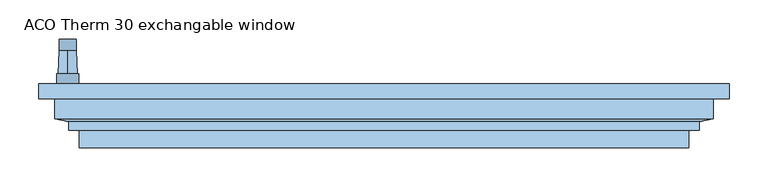
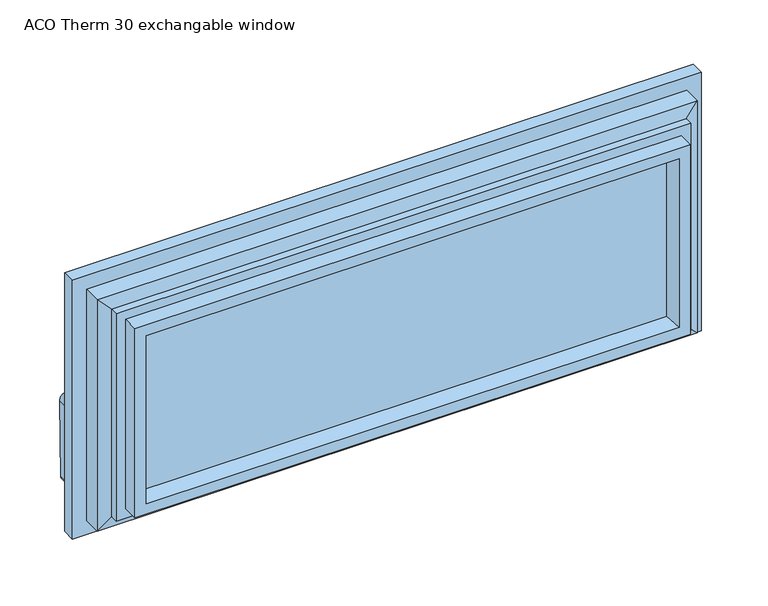
"""IFC4 building model written with IfcOpenShell, lengths in millimetres: window geometry, ACO Therm 30 exchangable window."""

from ifc_helpers import new_model, si_unit, point, frame, frame_2d, origin, place, context, project, spatial, polyline, circle_curve, trimmed, segment, composite_curve, outline, extrude, faceted_brep, source, transform, mapped, element, save
from ifc_brep_helpers import plane_surface, cylinder_surface, revolved_surface, advanced_brep


def aco_therm_30_exchangable_window_74f15d6c(model_context):
    return source(origin(), model_context, "Body", "SolidModel", [
        advanced_brep(
        [(-391.2, 10.8, 220.2), (-391.2, 10.8, 184.8), (-419.8, 10.8, 184.8), (-419.8, 10.8, 220.2), (-405.5, 10.8, 190.5), (-405.5, 10.8, 214.5), (-391.2, -2.0, 220.2), (-419.8, -2.0, 220.2), (-419.8, -2.0, 184.8), (-391.2, -2.0, 184.8), (-405.5, 40.5837804, 213.45), (-405.5, 40.5837804, 191.55)],
        [
            (0, 1),
            (1, 2, circle_curve(frame((-405.5, 10.8, 184.8), z_axis=(0.0, 1.0, 0.0), x_axis=(-1.0, 0.0, 0.0)), 14.3)),
            (2, 3),
            (3, 0, circle_curve(frame((-405.5, 10.8, 220.2), z_axis=(0.0, 1.0, 0.0), x_axis=(-1.0, 0.0, 0.0)), 14.3)),
            (4, 5, circle_curve(frame((-405.5, 10.8, 202.5), z_axis=(0.0, -1.0, 0.0), x_axis=(0.0, 0.0, 1.0)), 12.0)),
            (5, 4, circle_curve(frame((-405.5, 10.8, 202.5), z_axis=(0.0, -1.0, 0.0), x_axis=(0.0, 0.0, -1.0)), 12.0)),
            (6, 7, circle_curve(frame((-405.5, -2.0, 220.2), z_axis=(0.0, -1.0, 0.0), x_axis=(-1.0, 0.0, 0.0)), 14.3)),
            (7, 8),
            (8, 9, circle_curve(frame((-405.5, -2.0, 184.8), z_axis=(0.0, -1.0, 0.0), x_axis=(-1.0, 0.0, 0.0)), 14.3)),
            (9, 6),
            (0, 6),
            (9, 1),
            (8, 2),
            (7, 3),
            (10, 11, circle_curve(frame((-405.5, 40.5837804, 202.5), z_axis=(0.0, 1.0, 0.0), x_axis=(0.0, 0.0, 1.0)), 10.95)),
            (11, 10, circle_curve(frame((-405.5, 40.5837804, 202.5), z_axis=(0.0, 1.0, 0.0), x_axis=(0.0, 0.0, -1.0)), 10.95)),
            (10, 5),
            (4, 11),
        ],
        [
            plane_surface(frame((-391.2, 10.8, 220.2), z_axis=(0.0, 1.0, 0.0), x_axis=(0.0, 0.0, -1.0))),
            plane_surface(frame((-391.2, -2.0, 220.2), z_axis=(0.0, -1.0, 0.0), x_axis=(0.0, 0.0, 1.0))),
            plane_surface(frame((-391.2, 10.8, 220.2), z_axis=(1.0, 0.0, 0.0), x_axis=(0.0, -1.0, 0.0))),
            cylinder_surface(frame((-405.5, -2.0, 184.8), z_axis=(0.0, 1.0, 0.0), x_axis=(-1.0, 0.0, 0.0)), 14.3),
            plane_surface(frame((-419.8, 10.8, 184.8), z_axis=(-1.0, 0.0, 0.0), x_axis=(0.0, -1.0, 0.0))),
            cylinder_surface(frame((-405.5, -2.0, 220.2), z_axis=(0.0, 1.0, 0.0), x_axis=(-1.0, 0.0, 0.0)), 14.3),
            plane_surface(frame((-405.5, 40.5837804, 202.5), z_axis=(0.0, 1.0, 0.0), x_axis=(1.0, 0.0, 0.0))),
            revolved_surface(polyline([(-405.5, 40.58378040000002, 213.4500000002644), (-405.5, 10.800000000000011, 214.5)]), (-405.5, 351.1860618, 202.5), (0.0, -1.0, 0.0)),
            revolved_surface(polyline([(-405.5, 40.58378040000002, 191.5499999997356), (-405.5, 10.800000000000011, 190.5)]), (-405.5, 351.1860618, 202.5), (0.0, -1.0, 0.0)),
        ],
        [
            (0, [[1, 2, 3, 4], [5, 6]]),
            (1, [[7, 8, 9, 10]]),
            (2, [[-1, 11, -10, 12]]),
            (3, [[-2, -12, -9, 13]]),
            (4, [[-3, -13, -8, 14]]),
            (5, [[-4, -14, -7, -11]]),
            (6, [[15, 16]]),
            (7, [[-15, 17, -5, 18]]),
            (8, [[-16, -18, -6, -17]]),
        ],
    ),
        extrude(outline(composite_curve([segment(trimmed(circle_curve(frame_2d((89.5593058, -409.4580365)), 5.1186159), [point((89.5592661, -414.5766524))], [point((84.4406899, -409.4580365))], False, "CARTESIAN"), True, "CONTINUOUS"), segment(polyline([(84.4406899, -409.4580365), (84.4406899, -401.5419635)]), True, "CONTINUOUS"), segment(trimmed(circle_curve(frame_2d((89.5593058, -401.5419635)), 5.1186159), [point((84.4406899, -401.5419635))], [point((89.3895475, -396.4261634))], False, "CARTESIAN"), True, "CONTINUOUS"), segment(polyline([(89.3895475, -396.4261634), (202.5, -394.55)]), True, "CONTINUOUS"), segment(trimmed(circle_curve(frame_2d((202.5, -405.5)), 10.95), [point((202.5, -394.55))], [point((202.5, -416.45))], False, "CARTESIAN"), True, "CONTINUOUS"), segment(polyline([(202.5, -416.45), (89.5592661, -414.5766524)]), True, "CONTINUOUS")], self_intersect=False)), frame((0.0, 40.5837804, 0.0), z_axis=(0.0, 1.0, 0.0), x_axis=(0.0, 0.0, 1.0)), (0.0, 0.0, 1.0), 15.0),
        extrude(outline(polyline([(386.5, -23.0), (386.5, -27.0), (-386.5, -27.0), (-386.5, -23.0), (386.5, -23.0)])), frame((0.0, 0.0, 108.5), z_axis=(0.0, 0.0, 1.0), x_axis=(1.0, 0.0, 0.0)), (0.0, 0.0, 1.0), 273.0),
        extrude(outline(polyline([(386.5, -59.0), (386.5, -63.0), (-386.5, -63.0), (-386.5, -59.0), (386.5, -59.0)])), frame((0.0, 0.0, 108.5), z_axis=(0.0, 0.0, 1.0), x_axis=(1.0, 0.0, 0.0)), (0.0, 0.0, 1.0), 273.0),
        extrude(outline(polyline([(386.5, -41.0), (386.5, -45.0), (-386.5, -45.0), (-386.5, -41.0), (386.5, -41.0)])), frame((0.0, 0.0, 108.5), z_axis=(0.0, 0.0, 1.0), x_axis=(1.0, 0.0, 0.0)), (0.0, 0.0, 1.0), 273.0),
        faceted_brep([(422.5, -21.0, 417.5), (422.5, -46.45, 417.5), (422.5, -46.45, 72.5), (422.5, -21.0, 72.5), (442.5, -2.0, 437.5), (442.5, -21.0, 437.5), (442.5, -21.0, 52.5), (442.5, -2.0, 52.5), (370.3364776, -23.0, 365.3364776), (359.6599742, -2.0, 354.6599742), (359.6599742, -2.0, 135.3400258), (370.3364776, -23.0, 124.6635224), (386.5, -63.0, 381.5), (386.5, -23.0, 381.5), (386.5, -23.0, 108.5), (386.5, -63.0, 108.5), (375.1595631, -84.0, 370.1595631), (369.53263, -63.0, 364.53263), (369.53263, -63.0, 125.46737), (375.1595631, -84.0, 119.8404369), (390.9018435, -84.0, 385.9018435), (390.9018435, -84.0, 104.0981565), (390.9018435, -61.5, 104.0981565), (390.9018435, -61.5, 385.9018435), (404.3518435, -50.6, 399.3518435), (404.3518435, -61.5, 399.3518435), (404.3518435, -61.5, 90.6481565), (404.3518435, -50.6, 90.6481565), (-422.5, -46.45, 72.5), (-422.5, -21.0, 72.5), (-442.5, -21.0, 52.5), (-442.5, -2.0, 52.5), (-359.6599742, -2.0, 135.3400258), (-370.3364776, -23.0, 124.6635224), (-386.5, -23.0, 108.5), (-386.5, -63.0, 108.5), (-369.53263, -63.0, 125.46737), (-375.1595631, -84.0, 119.8404369), (-390.9018435, -84.0, 104.0981565), (-390.9018435, -61.5, 104.0981565), (-404.3518435, -61.5, 90.6481565), (-404.3518435, -50.6, 90.6481565), (-422.5, -46.45, 417.5), (-422.5, -21.0, 417.5), (-442.5, -21.0, 437.5), (-442.5, -2.0, 437.5), (-359.6599742, -2.0, 354.6599742), (-370.3364776, -23.0, 365.3364776), (-386.5, -23.0, 381.5), (-386.5, -63.0, 381.5), (-369.53263, -63.0, 364.53263), (-375.1595631, -84.0, 370.1595631), (-390.9018435, -84.0, 385.9018435), (-390.9018435, -61.5, 385.9018435), (-404.3518435, -61.5, 399.3518435), (-404.3518435, -50.6, 399.3518435)], [[[0, 1, 2, 3]], [[4, 5, 6, 7]], [[8, 9, 10, 11]], [[12, 13, 14, 15]], [[16, 17, 18, 19]], [[20, 21, 22, 23]], [[24, 25, 26, 27]], [[1, 24, 27, 2]], [[3, 2, 28, 29]], [[7, 6, 30, 31]], [[11, 10, 32, 33]], [[15, 14, 34, 35]], [[19, 18, 36, 37]], [[22, 21, 38, 39]], [[27, 26, 40, 41]], [[2, 27, 41, 28]], [[29, 28, 42, 43]], [[31, 30, 44, 45]], [[33, 32, 46, 47]], [[35, 34, 48, 49]], [[37, 36, 50, 51]], [[39, 38, 52, 53]], [[41, 40, 54, 55]], [[28, 41, 55, 42]], [[43, 42, 1, 0]], [[5, 44, 30, 6], [3, 29, 43, 0]], [[45, 44, 5, 4]], [[7, 31, 45, 4], [9, 46, 32, 10]], [[47, 46, 9, 8]], [[13, 48, 34, 14], [11, 33, 47, 8]], [[49, 48, 13, 12]], [[15, 35, 49, 12], [17, 50, 36, 18]], [[51, 50, 17, 16]], [[20, 52, 38, 21], [19, 37, 51, 16]], [[53, 52, 20, 23]], [[25, 54, 40, 26], [22, 39, 53, 23]], [[55, 54, 25, 24]], [[42, 55, 24, 1]]]),
    ])


if __name__ == "__main__":
    model = new_model("IFC4")
    model_context = context("Model", 3, world=origin())
    ifc_project = project(units=[si_unit("LENGTHUNIT", "METRE", prefix="MILLI")], contexts=[model_context])
    site = spatial("IfcSite", under=ifc_project)
    building = spatial("IfcBuilding", under=site)
    placement = place(None, origin())
    aco_therm_30_exchangable_window_shape = aco_therm_30_exchangable_window_74f15d6c(model_context)
    element("IfcWindow", 1, ObjectType="ACO Therm 30 exchangable window", at=placement, inside=building, context=model_context, shape_type="MappedRepresentation", body=[
        mapped(aco_therm_30_exchangable_window_shape, transform((0.0, 0.0, 0.0), x_axis=(1.0, 0.0, 0.0), y_axis=(0.0, 1.0, 0.0), z_axis=(0.0, 0.0, 1.0))),
    ])
    save(model, "model.ifc")
